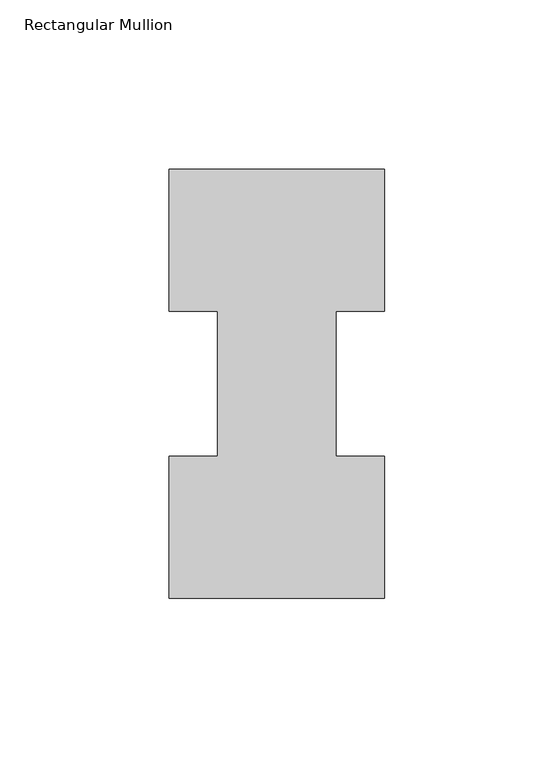
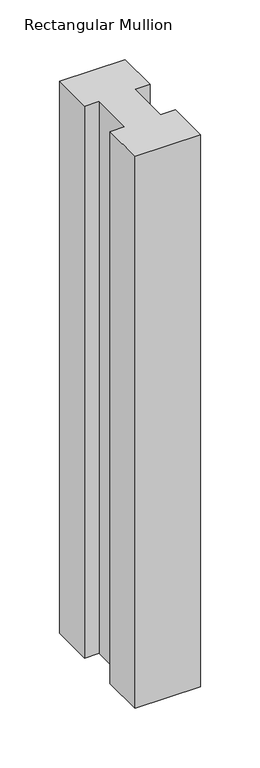
"""IFC4 building model written with IfcOpenShell, lengths in millimetres: member geometry, Rectangular Mullion."""

from ifc_helpers import new_model, si_unit, frame, origin, place, context, project, spatial, polyline, outline, extrude, source, transform, mapped, element, save


def rectangular_mullion_1da7bf89(model_context):
    return source(origin(), model_context, "Body", "SweptSolid", [
        extrude(outline(polyline([(-63.5, -0.0373063), (-63.5, 41.7837937), (-49.2125, 41.7837937), (-49.2125, 84.6335938), (-63.5, 84.6335938), (-63.5, 126.4546937), (0.0, 126.4546937), (0.0, 84.6335938), (-14.2748, 84.6335938), (-14.2748, 41.7837937), (0.0, 41.7837937), (0.0, -0.0373063), (-63.5, -0.0373063)])), frame((0.0, 0.0, -565.1563826), z_axis=(0.0, 0.0, 1.0), x_axis=(1.0, 0.0, 0.0)), (0.0, 0.0, 1.0), 565.1563826),
    ])


if __name__ == "__main__":
    model = new_model("IFC4")
    model_context = context("Model", 3, world=origin())
    ifc_project = project(units=[si_unit("LENGTHUNIT", "METRE", prefix="MILLI")], contexts=[model_context])
    site = spatial("IfcSite", under=ifc_project)
    building = spatial("IfcBuilding", under=site)
    placement = place(None, origin())
    rectangular_mullion_shape = rectangular_mullion_1da7bf89(model_context)
    element("IfcMember", 1, ObjectType="Rectangular Mullion", at=placement, inside=building, context=model_context, shape_type="MappedRepresentation", body=[
        mapped(rectangular_mullion_shape, transform((0.0, 0.0, 0.0), x_axis=(1.0, 0.0, 0.0), y_axis=(0.0, 1.0, 0.0), z_axis=(0.0, 0.0, 1.0))),
    ])
    save(model, "model.ifc")
